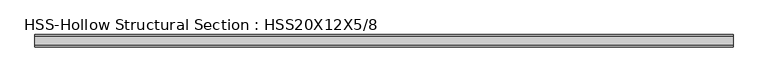
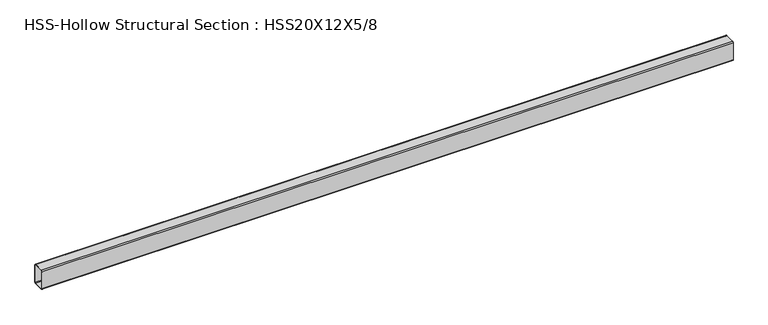
"""IFC4 building model written with IfcOpenShell, lengths in millimetres: beam geometry, HSS-Hollow Structural Section : HSS20X12X5/8."""

from ifc_helpers import new_model, si_unit, point, frame, frame_2d, origin, place, context, project, spatial, polyline, circle_curve, trimmed, segment, composite_curve, outline, extrude, source, transform, mapped, element, save


def hss_hollow_structural_section_hss20x12x5_8_e87bd74e(model_context):
    return source(origin(), model_context, "Body", "SweptSolid", [
        extrude(outline(composite_curve([segment(polyline([(152.4, 224.4852), (152.4, -224.4852)]), True, "CONTINUOUS"), segment(trimmed(circle_curve(frame_2d((122.8852, -224.4852)), 29.5148), [point((152.4, -224.4852))], [point((122.8852, -254.0))], False, "CARTESIAN"), True, "CONTINUOUS"), segment(polyline([(122.8852, -254.0), (-122.8852, -254.0)]), True, "CONTINUOUS"), segment(trimmed(circle_curve(frame_2d((-122.8852, -224.4852)), 29.5148), [point((-122.8852, -254.0))], [point((-152.4, -224.4852))], False, "CARTESIAN"), True, "CONTINUOUS"), segment(polyline([(-152.4, -224.4852), (-152.4, 224.4852)]), True, "CONTINUOUS"), segment(trimmed(circle_curve(frame_2d((-122.8852, 224.4852)), 29.5148), [point((-152.4, 224.4852))], [point((-122.8852, 254.0))], False, "CARTESIAN"), True, "CONTINUOUS"), segment(polyline([(-122.8852, 254.0), (122.8852, 254.0)]), True, "CONTINUOUS"), segment(trimmed(circle_curve(frame_2d((122.8852, 224.4852)), 29.5148), [point((122.8852, 254.0))], [point((152.4, 224.4852))], False, "CARTESIAN"), True, "CONTINUOUS")], self_intersect=False), holes=[composite_curve([segment(trimmed(circle_curve(frame_2d((-122.8852, 224.4852)), 14.7574), [point((-122.8852, 239.2426))], [point((-137.6426, 224.4852))], True, "CARTESIAN"), True, "CONTINUOUS"), segment(polyline([(-137.6426, 224.4852), (-137.6426, -224.4852)]), True, "CONTINUOUS"), segment(trimmed(circle_curve(frame_2d((-122.8852, -224.4852)), 14.7574), [point((-137.6426, -224.4852))], [point((-122.8852, -239.2426))], True, "CARTESIAN"), True, "CONTINUOUS"), segment(polyline([(-122.8852, -239.2426), (122.8852, -239.2426)]), True, "CONTINUOUS"), segment(trimmed(circle_curve(frame_2d((122.8852, -224.4852)), 14.7574), [point((122.8852, -239.2426))], [point((137.6426, -224.4852))], True, "CARTESIAN"), True, "CONTINUOUS"), segment(polyline([(137.6426, -224.4852), (137.6426, 224.4852)]), True, "CONTINUOUS"), segment(trimmed(circle_curve(frame_2d((122.8852, 224.4852)), 14.7574), [point((137.6426, 224.4852))], [point((122.8852, 239.2426))], True, "CARTESIAN"), True, "CONTINUOUS"), segment(polyline([(122.8852, 239.2426), (-122.8852, 239.2426)]), True, "CONTINUOUS")], self_intersect=False)]), frame((-8636.0, 0.0, 0.0), z_axis=(1.0, 0.0, 0.0), x_axis=(0.0, 1.0, 0.0)), (0.0, 0.0, 1.0), 17399.0),
    ])


if __name__ == "__main__":
    model = new_model("IFC4")
    model_context = context("Model", 3, world=origin())
    ifc_project = project(units=[si_unit("LENGTHUNIT", "METRE", prefix="MILLI")], contexts=[model_context])
    site = spatial("IfcSite", under=ifc_project)
    building = spatial("IfcBuilding", under=site)
    placement = place(None, origin())
    hss_hollow_structural_section_hss20x12x5_8_shape = hss_hollow_structural_section_hss20x12x5_8_e87bd74e(model_context)
    element("IfcBeam", 1, ObjectType="HSS-Hollow Structural Section : HSS20X12X5/8", at=placement, inside=building, context=model_context, shape_type="MappedRepresentation", body=[
        mapped(hss_hollow_structural_section_hss20x12x5_8_shape, transform((0.0, 0.0, 0.0), x_axis=(1.0, 0.0, 0.0), y_axis=(0.0, 1.0, 0.0), z_axis=(0.0, 0.0, 1.0))),
    ])
    save(model, "model.ifc")
